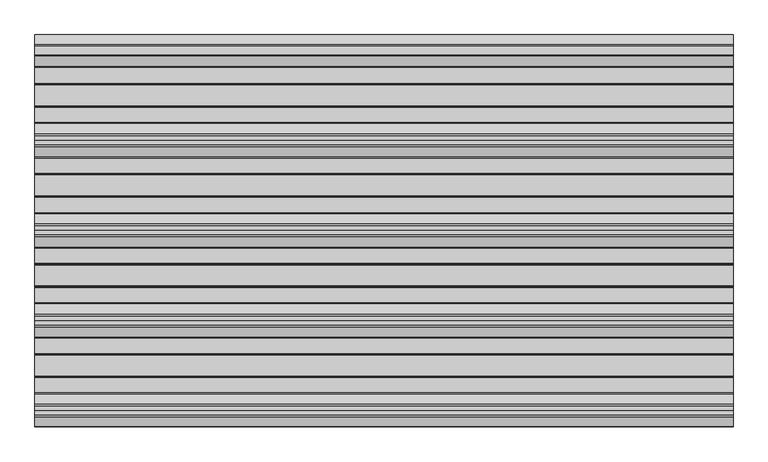
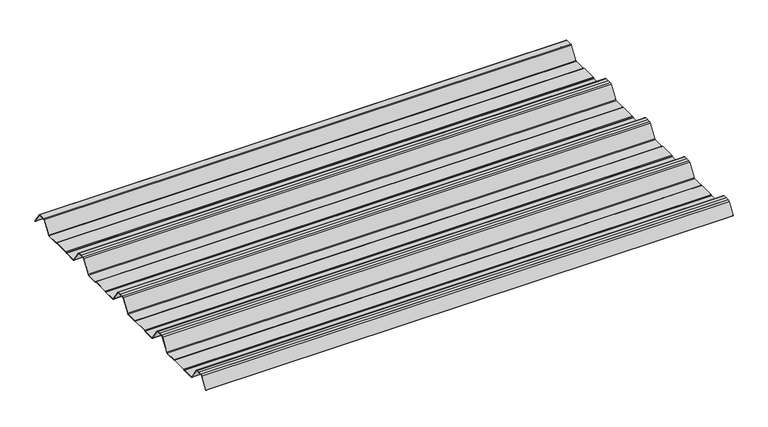
"""IFC4 building model written with IfcOpenShell, lengths in millimetres: beam geometry."""

from ifc_helpers import new_model, si_unit, point, frame, frame_2d, origin, place, context, project, spatial, polyline, circle_curve, trimmed, segment, composite_curve, outline, extrude, source, transform, mapped, element, save


def beam_31b45573(model_context):
    return source(origin(), model_context, "Body", "SweptSolid", [
        extrude(outline(composite_curve([segment(trimmed(circle_curve(frame_2d((-42.8221294, -22.7927378)), 1.9969096), [point((-42.8221294, -24.7896475))], [point((-41.1570881, -23.8951378))], True, "CARTESIAN"), True, "CONTINUOUS"), segment(polyline([(-41.1570881, -23.8951378), (-15.2135106, 15.2894853)]), True, "CONTINUOUS"), segment(trimmed(circle_curve(frame_2d((-11.5, 12.6603525)), 4.55), [point((-15.2135106, 15.2894853))], [point((-11.5, 17.2103525))], False, "CARTESIAN"), True, "CONTINUOUS"), segment(polyline([(-11.5, 17.2103525), (11.5, 17.2103525)]), True, "CONTINUOUS"), segment(trimmed(circle_curve(frame_2d((11.5, 12.6603525)), 4.55), [point((11.5, 17.2103525))], [point((15.2135106, 15.2894853))], False, "CARTESIAN"), True, "CONTINUOUS"), segment(polyline([(15.2135106, 15.2894853), (40.2177712, -22.4764137)]), True, "CONTINUOUS"), segment(trimmed(circle_curve(frame_2d((39.8008667, -22.7524402)), 0.5), [point((40.2177712, -22.4764137))], [point((39.3839622, -23.0284667))], False, "CARTESIAN"), True, "CONTINUOUS"), segment(polyline([(39.3839622, -23.0284667), (14.3888612, 14.7235977)]), True, "CONTINUOUS"), segment(trimmed(circle_curve(frame_2d((11.5, 12.6603525)), 3.55), [point((14.3888612, 14.7235977))], [point((11.5, 16.2103525))], True, "CARTESIAN"), True, "CONTINUOUS"), segment(polyline([(11.5, 16.2103525), (-11.5, 16.2103525)]), True, "CONTINUOUS"), segment(trimmed(circle_curve(frame_2d((-11.5, 12.6603525)), 3.55), [point((-11.5, 16.2103525))], [point((-14.3888612, 14.7235977))], True, "CARTESIAN"), True, "CONTINUOUS"), segment(polyline([(-14.3888612, 14.7235977), (-40.3232791, -24.4471908)]), True, "CONTINUOUS"), segment(trimmed(circle_curve(frame_2d((-42.8221294, -22.7927378)), 2.9969096), [point((-40.3232791, -24.4471908))], [point((-42.8221294, -25.7896475))], False, "CARTESIAN"), True, "CONTINUOUS"), segment(polyline([(-42.8221294, -25.7896475), (-85.388552, -25.7896475)]), True, "CONTINUOUS"), segment(trimmed(circle_curve(frame_2d((-85.388552, -24.3396475)), 1.45), [point((-85.388552, -25.7896475))], [point((-86.3205937, -25.4504122))], False, "CARTESIAN"), True, "CONTINUOUS"), segment(polyline([(-86.3205937, -25.4504122), (-87.5888326, -24.386234)]), True, "CONTINUOUS"), segment(trimmed(circle_curve(frame_2d((-89.2279412, -26.3396487)), 2.5500012), [point((-87.5888326, -24.386234))], [point((-89.2279412, -23.7896475))], True, "CARTESIAN"), True, "CONTINUOUS"), segment(polyline([(-89.2279412, -23.7896475), (-143.2720588, -23.7896475)]), True, "CONTINUOUS"), segment(trimmed(circle_curve(frame_2d((-143.2720588, -26.3396487)), 2.5500012), [point((-143.2720588, -23.7896475))], [point((-144.9111674, -24.386234))], True, "CARTESIAN"), True, "CONTINUOUS"), segment(polyline([(-144.9111674, -24.386234), (-146.1794063, -25.4504122)]), True, "CONTINUOUS"), segment(trimmed(circle_curve(frame_2d((-147.111448, -24.3396475)), 1.45), [point((-146.1794063, -25.4504122))], [point((-147.111448, -25.7896475))], False, "CARTESIAN"), True, "CONTINUOUS"), segment(polyline([(-147.111448, -25.7896475), (-186.4999995, -25.7896475)]), True, "CONTINUOUS"), segment(trimmed(circle_curve(frame_2d((-186.4999995, -21.3396478)), 4.4499996), [point((-186.4999995, -25.7896475))], [point((-190.1531515, -23.8807062))], False, "CARTESIAN"), True, "CONTINUOUS"), segment(polyline([(-190.1531515, -23.8807062), (-216.4608773, 15.8539187)]), True, "CONTINUOUS"), segment(trimmed(circle_curve(frame_2d((-221.0, 12.6603525)), 5.55), [point((-216.4608773, 15.8539187))], [point((-221.0, 18.2103525))], True, "CARTESIAN"), True, "CONTINUOUS"), segment(polyline([(-221.0, 18.2103525), (-232.5, 18.2103525), (-244.0, 18.2103525)]), True, "CONTINUOUS"), segment(trimmed(circle_curve(frame_2d((-244.0, 12.6603525)), 5.55), [point((-244.0, 18.2103525))], [point((-248.5391227, 15.8539187))], True, "CARTESIAN"), True, "CONTINUOUS"), segment(polyline([(-248.5391227, 15.8539187), (-274.8468485, -23.8807062)]), True, "CONTINUOUS"), segment(trimmed(circle_curve(frame_2d((-278.5000005, -21.3396478)), 4.4499996), [point((-274.8468485, -23.8807062))], [point((-278.5000005, -25.7896475))], False, "CARTESIAN"), True, "CONTINUOUS"), segment(polyline([(-278.5000005, -25.7896475), (-317.888552, -25.7896475)]), True, "CONTINUOUS"), segment(trimmed(circle_curve(frame_2d((-317.888552, -24.3396475)), 1.45), [point((-317.888552, -25.7896475))], [point((-318.8205937, -25.4504122))], False, "CARTESIAN"), True, "CONTINUOUS"), segment(polyline([(-318.8205937, -25.4504122), (-320.0888326, -24.386234)]), True, "CONTINUOUS"), segment(trimmed(circle_curve(frame_2d((-321.7279412, -26.3396487)), 2.5500012), [point((-320.0888326, -24.386234))], [point((-321.7279412, -23.7896475))], True, "CARTESIAN"), True, "CONTINUOUS"), segment(polyline([(-321.7279412, -23.7896475), (-375.7720588, -23.7896475)]), True, "CONTINUOUS"), segment(trimmed(circle_curve(frame_2d((-375.7720588, -26.3396487)), 2.5500012), [point((-375.7720588, -23.7896475))], [point((-377.4111674, -24.386234))], True, "CARTESIAN"), True, "CONTINUOUS"), segment(polyline([(-377.4111674, -24.386234), (-378.6794063, -25.4504122)]), True, "CONTINUOUS"), segment(trimmed(circle_curve(frame_2d((-379.611448, -24.3396475)), 1.45), [point((-378.6794063, -25.4504122))], [point((-379.611448, -25.7896475))], False, "CARTESIAN"), True, "CONTINUOUS"), segment(polyline([(-379.611448, -25.7896475), (-418.9999995, -25.7896475)]), True, "CONTINUOUS"), segment(trimmed(circle_curve(frame_2d((-418.9999995, -21.3396478)), 4.4499996), [point((-418.9999995, -25.7896475))], [point((-422.6531515, -23.8807062))], False, "CARTESIAN"), True, "CONTINUOUS"), segment(polyline([(-422.6531515, -23.8807062), (-448.9608773, 15.8539187)]), True, "CONTINUOUS"), segment(trimmed(circle_curve(frame_2d((-453.5, 12.6603525)), 5.55), [point((-448.9608773, 15.8539187))], [point((-453.5, 18.2103525))], True, "CARTESIAN"), True, "CONTINUOUS"), segment(polyline([(-453.5, 18.2103525), (-465.0, 18.2103525), (-476.5, 18.2103525)]), True, "CONTINUOUS"), segment(trimmed(circle_curve(frame_2d((-476.5, 12.6603525)), 5.55), [point((-476.5, 18.2103525))], [point((-481.0391227, 15.8539187))], True, "CARTESIAN"), True, "CONTINUOUS"), segment(polyline([(-481.0391227, 15.8539187), (-507.3468485, -23.8807062)]), True, "CONTINUOUS"), segment(trimmed(circle_curve(frame_2d((-511.0000005, -21.3396478)), 4.4499996), [point((-507.3468485, -23.8807062))], [point((-511.0000005, -25.7896475))], False, "CARTESIAN"), True, "CONTINUOUS"), segment(polyline([(-511.0000005, -25.7896475), (-550.388552, -25.7896475)]), True, "CONTINUOUS"), segment(trimmed(circle_curve(frame_2d((-550.388552, -24.3396475)), 1.45), [point((-550.388552, -25.7896475))], [point((-551.3205937, -25.4504122))], False, "CARTESIAN"), True, "CONTINUOUS"), segment(polyline([(-551.3205937, -25.4504122), (-552.5888326, -24.386234)]), True, "CONTINUOUS"), segment(trimmed(circle_curve(frame_2d((-554.2279412, -26.3396487)), 2.5500012), [point((-552.5888326, -24.386234))], [point((-554.2279412, -23.7896475))], True, "CARTESIAN"), True, "CONTINUOUS"), segment(polyline([(-554.2279412, -23.7896475), (-608.2720588, -23.7896475)]), True, "CONTINUOUS"), segment(trimmed(circle_curve(frame_2d((-608.2720588, -26.3396487)), 2.5500012), [point((-608.2720588, -23.7896475))], [point((-609.9111674, -24.386234))], True, "CARTESIAN"), True, "CONTINUOUS"), segment(polyline([(-609.9111674, -24.386234), (-611.1794063, -25.4504122)]), True, "CONTINUOUS"), segment(trimmed(circle_curve(frame_2d((-612.111448, -24.3396475)), 1.45), [point((-611.1794063, -25.4504122))], [point((-612.111448, -25.7896475))], False, "CARTESIAN"), True, "CONTINUOUS"), segment(polyline([(-612.111448, -25.7896475), (-651.4999995, -25.7896475)]), True, "CONTINUOUS"), segment(trimmed(circle_curve(frame_2d((-651.4999995, -21.3396478)), 4.4499996), [point((-651.4999995, -25.7896475))], [point((-655.1531515, -23.8807062))], False, "CARTESIAN"), True, "CONTINUOUS"), segment(polyline([(-655.1531515, -23.8807062), (-681.4608773, 15.8539187)]), True, "CONTINUOUS"), segment(trimmed(circle_curve(frame_2d((-686.0, 12.6603525)), 5.55), [point((-681.4608773, 15.8539187))], [point((-686.0, 18.2103525))], True, "CARTESIAN"), True, "CONTINUOUS"), segment(polyline([(-686.0, 18.2103525), (-697.5, 18.2103525), (-709.0, 18.2103525)]), True, "CONTINUOUS"), segment(trimmed(circle_curve(frame_2d((-709.0, 12.6603525)), 5.55), [point((-709.0, 18.2103525))], [point((-713.5391227, 15.8539187))], True, "CARTESIAN"), True, "CONTINUOUS"), segment(polyline([(-713.5391227, 15.8539187), (-739.8468485, -23.8807062)]), True, "CONTINUOUS"), segment(trimmed(circle_curve(frame_2d((-743.5000005, -21.3396478)), 4.4499996), [point((-739.8468485, -23.8807062))], [point((-743.5000005, -25.7896475))], False, "CARTESIAN"), True, "CONTINUOUS"), segment(polyline([(-743.5000005, -25.7896475), (-782.888552, -25.7896475)]), True, "CONTINUOUS"), segment(trimmed(circle_curve(frame_2d((-782.888552, -24.3396475)), 1.45), [point((-782.888552, -25.7896475))], [point((-783.8205937, -25.4504122))], False, "CARTESIAN"), True, "CONTINUOUS"), segment(polyline([(-783.8205937, -25.4504122), (-785.0888326, -24.386234)]), True, "CONTINUOUS"), segment(trimmed(circle_curve(frame_2d((-786.7279412, -26.3396487)), 2.5500012), [point((-785.0888326, -24.386234))], [point((-786.7279412, -23.7896475))], True, "CARTESIAN"), True, "CONTINUOUS"), segment(polyline([(-786.7279412, -23.7896475), (-840.7720588, -23.7896475)]), True, "CONTINUOUS"), segment(trimmed(circle_curve(frame_2d((-840.7720588, -26.3396487)), 2.5500012), [point((-840.7720588, -23.7896475))], [point((-842.4111674, -24.386234))], True, "CARTESIAN"), True, "CONTINUOUS"), segment(polyline([(-842.4111674, -24.386234), (-843.6794063, -25.4504122)]), True, "CONTINUOUS"), segment(trimmed(circle_curve(frame_2d((-844.611448, -24.3396475)), 1.45), [point((-843.6794063, -25.4504122))], [point((-844.611448, -25.7896475))], False, "CARTESIAN"), True, "CONTINUOUS"), segment(polyline([(-844.611448, -25.7896475), (-883.9999995, -25.7896475)]), True, "CONTINUOUS"), segment(trimmed(circle_curve(frame_2d((-883.9999995, -21.3396478)), 4.4499996), [point((-883.9999995, -25.7896475))], [point((-887.6531515, -23.8807062))], False, "CARTESIAN"), True, "CONTINUOUS"), segment(polyline([(-887.6531515, -23.8807062), (-913.9608773, 15.8539187)]), True, "CONTINUOUS"), segment(trimmed(circle_curve(frame_2d((-918.5, 12.6603525)), 5.55), [point((-913.9608773, 15.8539187))], [point((-918.5, 18.2103525))], True, "CARTESIAN"), True, "CONTINUOUS"), segment(polyline([(-918.5, 18.2103525), (-930.0, 18.2103525), (-941.5, 18.2103525)]), True, "CONTINUOUS"), segment(trimmed(circle_curve(frame_2d((-941.5, 12.6603525)), 5.55), [point((-941.5, 18.2103525))], [point((-946.0391227, 15.8539187))], True, "CARTESIAN"), True, "CONTINUOUS"), segment(polyline([(-946.0391227, 15.8539187), (-969.9715304, -20.2930766)]), True, "CONTINUOUS"), segment(trimmed(circle_curve(frame_2d((-970.3884349, -20.0170501)), 0.5), [point((-969.9715304, -20.2930766))], [point((-970.8053395, -19.7410236))], False, "CARTESIAN"), True, "CONTINUOUS"), segment(polyline([(-970.8053395, -19.7410236), (-946.8654458, 16.4172784)]), True, "CONTINUOUS"), segment(trimmed(circle_curve(frame_2d((-941.5, 12.6603525)), 6.55), [point((-946.8654458, 16.4172784))], [point((-941.5, 19.2103525))], False, "CARTESIAN"), True, "CONTINUOUS"), segment(polyline([(-941.5, 19.2103525), (-930.0, 19.2103525), (-918.5, 19.2103525)]), True, "CONTINUOUS"), segment(trimmed(circle_curve(frame_2d((-918.5, 12.6603525)), 6.55), [point((-918.5, 19.2103525))], [point((-913.1345542, 16.4172784))], False, "CARTESIAN"), True, "CONTINUOUS"), segment(polyline([(-913.1345542, 16.4172784), (-886.8260739, -23.3184861)]), True, "CONTINUOUS"), segment(trimmed(circle_curve(frame_2d((-883.9999995, -21.3396478)), 3.4499996), [point((-886.8260739, -23.3184861))], [point((-883.9999995, -24.7896475))], True, "CARTESIAN"), True, "CONTINUOUS"), segment(polyline([(-883.9999995, -24.7896475), (-844.8915726, -24.7896475)]), True, "CONTINUOUS"), segment(trimmed(circle_curve(frame_2d((-844.8915726, -23.5700111)), 1.2196364), [point((-844.8915726, -24.7896475))], [point((-844.1076057, -24.504307))], True, "CARTESIAN"), True, "CONTINUOUS"), segment(polyline([(-844.1076057, -24.504307), (-843.0539548, -23.6201894)]), True, "CONTINUOUS"), segment(trimmed(circle_curve(frame_2d((-840.7720588, -26.3396487)), 3.5500012), [point((-843.0539548, -23.6201894))], [point((-840.7720588, -22.7896475))], False, "CARTESIAN"), True, "CONTINUOUS"), segment(polyline([(-840.7720588, -22.7896475), (-786.7279412, -22.7896475)]), True, "CONTINUOUS"), segment(trimmed(circle_curve(frame_2d((-786.7279412, -26.3396487)), 3.5500012), [point((-786.7279412, -22.7896475))], [point((-784.4460452, -23.6201894))], False, "CARTESIAN"), True, "CONTINUOUS"), segment(polyline([(-784.4460452, -23.6201894), (-783.3923943, -24.504307)]), True, "CONTINUOUS"), segment(trimmed(circle_curve(frame_2d((-782.6084274, -23.5700111)), 1.2196364), [point((-783.3923943, -24.504307))], [point((-782.6084274, -24.7896475))], True, "CARTESIAN"), True, "CONTINUOUS"), segment(polyline([(-782.6084274, -24.7896475), (-743.5000005, -24.7896475)]), True, "CONTINUOUS"), segment(trimmed(circle_curve(frame_2d((-743.5000005, -21.3396478)), 3.4499996), [point((-743.5000005, -24.7896475))], [point((-740.6739261, -23.3184861))], True, "CARTESIAN"), True, "CONTINUOUS"), segment(polyline([(-740.6739261, -23.3184861), (-714.3654458, 16.4172784)]), True, "CONTINUOUS"), segment(trimmed(circle_curve(frame_2d((-709.0, 12.6603525)), 6.55), [point((-714.3654458, 16.4172784))], [point((-709.0, 19.2103525))], False, "CARTESIAN"), True, "CONTINUOUS"), segment(polyline([(-709.0, 19.2103525), (-697.5, 19.2103525), (-686.0, 19.2103525)]), True, "CONTINUOUS"), segment(trimmed(circle_curve(frame_2d((-686.0, 12.6603525)), 6.55), [point((-686.0, 19.2103525))], [point((-680.6345542, 16.4172784))], False, "CARTESIAN"), True, "CONTINUOUS"), segment(polyline([(-680.6345542, 16.4172784), (-654.3260739, -23.3184861)]), True, "CONTINUOUS"), segment(trimmed(circle_curve(frame_2d((-651.4999995, -21.3396478)), 3.4499996), [point((-654.3260739, -23.3184861))], [point((-651.4999995, -24.7896475))], True, "CARTESIAN"), True, "CONTINUOUS"), segment(polyline([(-651.4999995, -24.7896475), (-612.3915726, -24.7896475)]), True, "CONTINUOUS"), segment(trimmed(circle_curve(frame_2d((-612.3915726, -23.5700111)), 1.2196364), [point((-612.3915726, -24.7896475))], [point((-611.6076057, -24.504307))], True, "CARTESIAN"), True, "CONTINUOUS"), segment(polyline([(-611.6076057, -24.504307), (-610.5539548, -23.6201894)]), True, "CONTINUOUS"), segment(trimmed(circle_curve(frame_2d((-608.2720588, -26.3396487)), 3.5500012), [point((-610.5539548, -23.6201894))], [point((-608.2720588, -22.7896475))], False, "CARTESIAN"), True, "CONTINUOUS"), segment(polyline([(-608.2720588, -22.7896475), (-554.2279412, -22.7896475)]), True, "CONTINUOUS"), segment(trimmed(circle_curve(frame_2d((-554.2279412, -26.3396487)), 3.5500012), [point((-554.2279412, -22.7896475))], [point((-551.9460452, -23.6201894))], False, "CARTESIAN"), True, "CONTINUOUS"), segment(polyline([(-551.9460452, -23.6201894), (-550.8923943, -24.504307)]), True, "CONTINUOUS"), segment(trimmed(circle_curve(frame_2d((-550.1084274, -23.5700111)), 1.2196364), [point((-550.8923943, -24.504307))], [point((-550.1084274, -24.7896475))], True, "CARTESIAN"), True, "CONTINUOUS"), segment(polyline([(-550.1084274, -24.7896475), (-511.0000005, -24.7896475)]), True, "CONTINUOUS"), segment(trimmed(circle_curve(frame_2d((-511.0000005, -21.3396478)), 3.4499996), [point((-511.0000005, -24.7896475))], [point((-508.1739261, -23.3184861))], True, "CARTESIAN"), True, "CONTINUOUS"), segment(polyline([(-508.1739261, -23.3184861), (-481.8654458, 16.4172784)]), True, "CONTINUOUS"), segment(trimmed(circle_curve(frame_2d((-476.5, 12.6603525)), 6.55), [point((-481.8654458, 16.4172784))], [point((-476.5, 19.2103525))], False, "CARTESIAN"), True, "CONTINUOUS"), segment(polyline([(-476.5, 19.2103525), (-465.0, 19.2103525), (-453.5, 19.2103525)]), True, "CONTINUOUS"), segment(trimmed(circle_curve(frame_2d((-453.5, 12.6603525)), 6.55), [point((-453.5, 19.2103525))], [point((-448.1345542, 16.4172784))], False, "CARTESIAN"), True, "CONTINUOUS"), segment(polyline([(-448.1345542, 16.4172784), (-421.8260739, -23.3184861)]), True, "CONTINUOUS"), segment(trimmed(circle_curve(frame_2d((-418.9999995, -21.3396478)), 3.4499996), [point((-421.8260739, -23.3184861))], [point((-418.9999995, -24.7896475))], True, "CARTESIAN"), True, "CONTINUOUS"), segment(polyline([(-418.9999995, -24.7896475), (-379.8915726, -24.7896475)]), True, "CONTINUOUS"), segment(trimmed(circle_curve(frame_2d((-379.8915726, -23.5700111)), 1.2196364), [point((-379.8915726, -24.7896475))], [point((-379.1076057, -24.504307))], True, "CARTESIAN"), True, "CONTINUOUS"), segment(polyline([(-379.1076057, -24.504307), (-378.0539548, -23.6201894)]), True, "CONTINUOUS"), segment(trimmed(circle_curve(frame_2d((-375.7720588, -26.3396487)), 3.5500012), [point((-378.0539548, -23.6201894))], [point((-375.7720588, -22.7896475))], False, "CARTESIAN"), True, "CONTINUOUS"), segment(polyline([(-375.7720588, -22.7896475), (-321.7279412, -22.7896475)]), True, "CONTINUOUS"), segment(trimmed(circle_curve(frame_2d((-321.7279412, -26.3396487)), 3.5500012), [point((-321.7279412, -22.7896475))], [point((-319.4460452, -23.6201894))], False, "CARTESIAN"), True, "CONTINUOUS"), segment(polyline([(-319.4460452, -23.6201894), (-318.3923943, -24.504307)]), True, "CONTINUOUS"), segment(trimmed(circle_curve(frame_2d((-317.6084274, -23.5700111)), 1.2196364), [point((-318.3923943, -24.504307))], [point((-317.6084274, -24.7896475))], True, "CARTESIAN"), True, "CONTINUOUS"), segment(polyline([(-317.6084274, -24.7896475), (-278.5000005, -24.7896475)]), True, "CONTINUOUS"), segment(trimmed(circle_curve(frame_2d((-278.5000005, -21.3396478)), 3.4499996), [point((-278.5000005, -24.7896475))], [point((-275.6739261, -23.3184861))], True, "CARTESIAN"), True, "CONTINUOUS"), segment(polyline([(-275.6739261, -23.3184861), (-249.3654458, 16.4172784)]), True, "CONTINUOUS"), segment(trimmed(circle_curve(frame_2d((-244.0, 12.6603525)), 6.55), [point((-249.3654458, 16.4172784))], [point((-244.0, 19.2103525))], False, "CARTESIAN"), True, "CONTINUOUS"), segment(polyline([(-244.0, 19.2103525), (-232.5, 19.2103525), (-221.0, 19.2103525)]), True, "CONTINUOUS"), segment(trimmed(circle_curve(frame_2d((-221.0, 12.6603525)), 6.55), [point((-221.0, 19.2103525))], [point((-215.6345542, 16.4172784))], False, "CARTESIAN"), True, "CONTINUOUS"), segment(polyline([(-215.6345542, 16.4172784), (-189.3260739, -23.3184861)]), True, "CONTINUOUS"), segment(trimmed(circle_curve(frame_2d((-186.4999995, -21.3396478)), 3.4499996), [point((-189.3260739, -23.3184861))], [point((-186.4999995, -24.7896475))], True, "CARTESIAN"), True, "CONTINUOUS"), segment(polyline([(-186.4999995, -24.7896475), (-147.3915726, -24.7896475)]), True, "CONTINUOUS"), segment(trimmed(circle_curve(frame_2d((-147.3915726, -23.5700111)), 1.2196364), [point((-147.3915726, -24.7896475))], [point((-146.6076057, -24.504307))], True, "CARTESIAN"), True, "CONTINUOUS"), segment(polyline([(-146.6076057, -24.504307), (-145.5539548, -23.6201894)]), True, "CONTINUOUS"), segment(trimmed(circle_curve(frame_2d((-143.2720588, -26.3396487)), 3.5500012), [point((-145.5539548, -23.6201894))], [point((-143.2720588, -22.7896475))], False, "CARTESIAN"), True, "CONTINUOUS"), segment(polyline([(-143.2720588, -22.7896475), (-89.2279412, -22.7896475)]), True, "CONTINUOUS"), segment(trimmed(circle_curve(frame_2d((-89.2279412, -26.3396487)), 3.5500012), [point((-89.2279412, -22.7896475))], [point((-86.9460452, -23.6201894))], False, "CARTESIAN"), True, "CONTINUOUS"), segment(polyline([(-86.9460452, -23.6201894), (-85.8923943, -24.504307)]), True, "CONTINUOUS"), segment(trimmed(circle_curve(frame_2d((-85.1084274, -23.5700111)), 1.2196364), [point((-85.8923943, -24.504307))], [point((-85.1084274, -24.7896475))], True, "CARTESIAN"), True, "CONTINUOUS"), segment(polyline([(-85.1084274, -24.7896475), (-42.8221294, -24.7896475)]), True, "CONTINUOUS")], self_intersect=False)), frame((-900.0, 0.0, 0.0), z_axis=(1.0, 0.0, 0.0), x_axis=(0.0, 1.0, 0.0)), (0.0, 0.0, 1.0), 1800.0),
    ])


if __name__ == "__main__":
    model = new_model("IFC4")
    model_context = context("Model", 3, world=origin())
    ifc_project = project(units=[si_unit("LENGTHUNIT", "METRE", prefix="MILLI")], contexts=[model_context])
    site = spatial("IfcSite", under=ifc_project)
    building = spatial("IfcBuilding", under=site)
    placement = place(None, origin())
    beam_shape = beam_31b45573(model_context)
    element("IfcBeam", 1, at=placement, inside=building, context=model_context, shape_type="MappedRepresentation", body=[
        mapped(beam_shape, transform((0.0, 0.0, 0.0), x_axis=(1.0, 0.0, 0.0), y_axis=(0.0, 1.0, 0.0), z_axis=(0.0, 0.0, 1.0))),
    ])
    save(model, "model.ifc")
